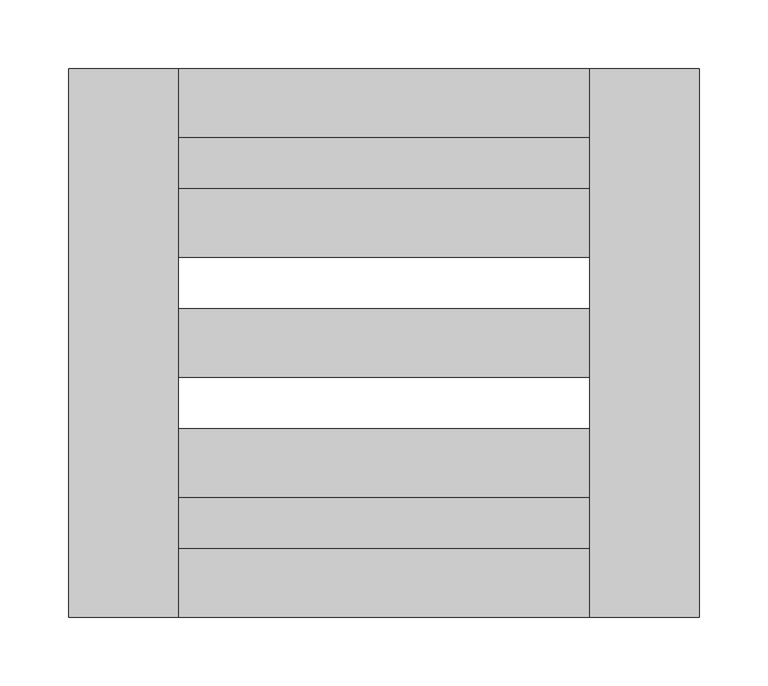
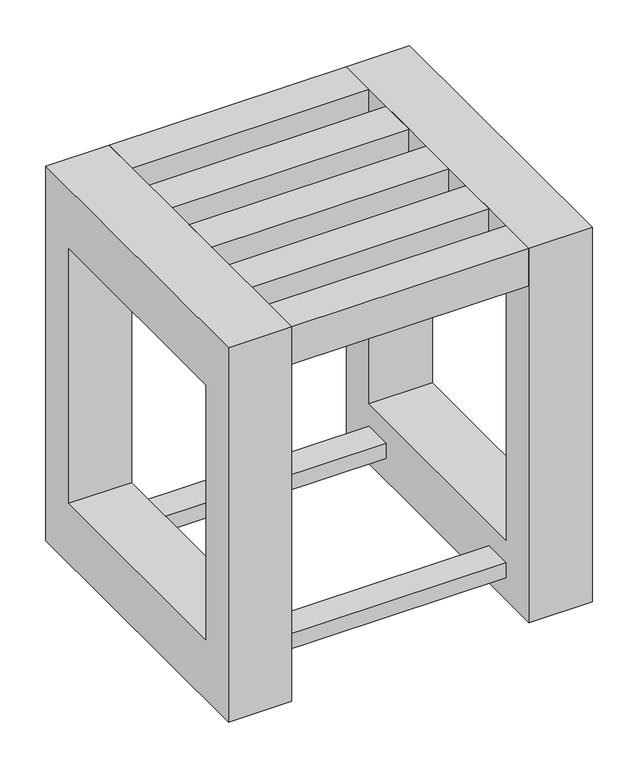
"""IFC4 building model written with IfcOpenShell, lengths in millimetres: furniture geometry."""

from ifc_helpers import new_model, si_unit, frame, origin, place, context, project, spatial, polyline, outline, extrude, source, transform, mapped, element, save


def furniture_89a15acf(model_context):
    return source(origin(), model_context, "Body", "SweptSolid", [
        extrude(outline(polyline([(-1159.95672, 1136.5928463), (-1459.95672, 1136.5928463), (-1459.95672, 1174.0928463), (-1159.95672, 1174.0928463), (-1159.95672, 1136.5928463)])), frame((0.0, 0.0, 30.0), z_axis=(0.0, 0.0, 1.0), x_axis=(1.0, 0.0, 0.0)), (0.0, 0.0, 1.0), 20.0),
        extrude(outline(polyline([(-1159.95672, 874.0928463), (-1459.95672, 874.0928463), (-1459.95672, 911.5928463), (-1159.95672, 911.5928463), (-1159.95672, 874.0928463)])), frame((0.0, 0.0, 30.0), z_axis=(0.0, 0.0, 1.0), x_axis=(1.0, 0.0, 0.0)), (0.0, 0.0, 1.0), 20.0),
        extrude(outline(polyline([(824.0928463, 500.0), (1224.0928463, 500.0), (1224.0928463, 0.0), (824.0928463, 0.0), (824.0928463, 500.0)]), holes=[polyline([(874.0928463, 420.0), (874.0928463, 80.0), (1174.0928463, 80.0), (1174.0928463, 420.0), (874.0928463, 420.0)])]), frame((-1539.95672, 0.0, 0.0), z_axis=(1.0, 0.0, 0.0), x_axis=(0.0, 1.0, 0.0)), (0.0, 0.0, 1.0), 80.0),
        extrude(outline(polyline([(824.0928463, 500.0), (1224.0928463, 500.0), (1224.0928463, 0.0), (824.0928463, 0.0), (824.0928463, 500.0)]), holes=[polyline([(1174.0928463, 420.0), (874.0928463, 420.0), (874.0928463, 80.0), (1174.0928463, 80.0), (1174.0928463, 420.0)])]), frame((-1159.95672, 0.0, 0.0), z_axis=(1.0, 0.0, 0.0), x_axis=(0.0, 1.0, 0.0)), (0.0, 0.0, 1.0), 80.0),
        extrude(outline(polyline([(-1459.95672, 824.0928463), (-1459.95672, 874.0928463), (-1159.95672, 874.0928463), (-1159.95672, 824.0928463), (-1459.95672, 824.0928463)])), frame((0.0, 0.0, 450.0), z_axis=(0.0, 0.0, 1.0), x_axis=(1.0, 0.0, 0.0)), (0.0, 0.0, 1.0), 50.0),
        extrude(outline(polyline([(-1459.95672, 911.5928463), (-1459.95672, 961.5928463), (-1159.95672, 961.5928463), (-1159.95672, 911.5928463), (-1459.95672, 911.5928463)])), frame((0.0, 0.0, 450.0), z_axis=(0.0, 0.0, 1.0), x_axis=(1.0, 0.0, 0.0)), (0.0, 0.0, 1.0), 50.0),
        extrude(outline(polyline([(-1459.95672, 999.0928463), (-1459.95672, 1049.0928463), (-1159.95672, 1049.0928463), (-1159.95672, 999.0928463), (-1459.95672, 999.0928463)])), frame((0.0, 0.0, 450.0), z_axis=(0.0, 0.0, 1.0), x_axis=(1.0, 0.0, 0.0)), (0.0, 0.0, 1.0), 50.0),
        extrude(outline(polyline([(-1159.95672, 1136.5928463), (-1159.95672, 1086.5928463), (-1459.95672, 1086.5928463), (-1459.95672, 1136.5928463), (-1159.95672, 1136.5928463)])), frame((0.0, 0.0, 450.0), z_axis=(0.0, 0.0, 1.0), x_axis=(1.0, 0.0, 0.0)), (0.0, 0.0, 1.0), 50.0),
        extrude(outline(polyline([(-1459.95672, 1174.0928463), (-1459.95672, 1224.0928463), (-1159.95672, 1224.0928463), (-1159.95672, 1174.0928463), (-1459.95672, 1174.0928463)])), frame((0.0, 0.0, 450.0), z_axis=(0.0, 0.0, 1.0), x_axis=(1.0, 0.0, 0.0)), (0.0, 0.0, 1.0), 50.0),
    ])


if __name__ == "__main__":
    model = new_model("IFC4")
    model_context = context("Model", 3, world=origin())
    ifc_project = project(units=[si_unit("LENGTHUNIT", "METRE", prefix="MILLI")], contexts=[model_context])
    site = spatial("IfcSite", under=ifc_project)
    building = spatial("IfcBuilding", under=site)
    placement = place(None, origin())
    furniture_shape = furniture_89a15acf(model_context)
    element("IfcFurniture", 1, at=placement, inside=building, context=model_context, shape_type="MappedRepresentation", body=[
        mapped(furniture_shape, transform((0.0, 0.0, 0.0), x_axis=(1.0, 0.0, 0.0), y_axis=(0.0, 1.0, 0.0), z_axis=(0.0, 0.0, 1.0))),
    ])
    save(model, "model.ifc")
